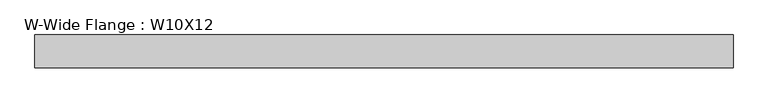
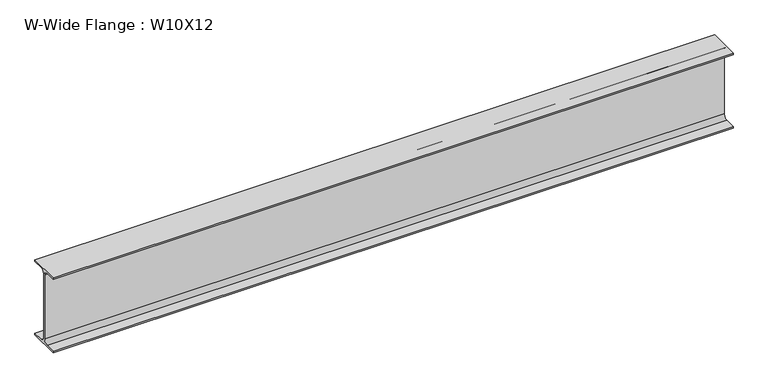
"""IFC4 building model written with IfcOpenShell, lengths in millimetres: beam geometry, W-Wide Flange : W10X12."""

from ifc_helpers import new_model, si_unit, point, frame, frame_2d, origin, place, context, project, spatial, polyline, circle_curve, trimmed, segment, composite_curve, outline, extrude, source, transform, mapped, element, save


def w_wide_flange_w10x12_25cf206f(model_context):
    return source(origin(), model_context, "Body", "SweptSolid", [
        extrude(outline(composite_curve([segment(polyline([(50.3039062, -120.0050781), (50.3039062, -125.3628906), (-50.3039063, -125.3628906), (-50.3039063, -120.0050781), (-16.1230469, -120.0050781)]), True, "CONTINUOUS"), segment(trimmed(circle_curve(frame_2d((-16.1230469, -106.3128906)), 13.6921875), [point((-16.1230469, -120.0050781))], [point((-2.4308594, -106.3128906))], True, "CARTESIAN"), True, "CONTINUOUS"), segment(polyline([(-2.4308594, -106.3128906), (-2.4308594, 106.3128906)]), True, "CONTINUOUS"), segment(trimmed(circle_curve(frame_2d((-16.1230469, 106.3128906)), 13.6921875), [point((-2.4308594, 106.3128906))], [point((-16.1230469, 120.0050781))], True, "CARTESIAN"), True, "CONTINUOUS"), segment(polyline([(-16.1230469, 120.0050781), (-50.3039063, 120.0050781), (-50.3039063, 125.3628906), (50.3039062, 125.3628906), (50.3039062, 120.0050781), (16.1230469, 120.0050781)]), True, "CONTINUOUS"), segment(trimmed(circle_curve(frame_2d((16.1230469, 106.3128906)), 13.6921875), [point((16.1230469, 120.0050781))], [point((2.4308594, 106.3128906))], True, "CARTESIAN"), True, "CONTINUOUS"), segment(polyline([(2.4308594, 106.3128906), (2.4308594, -106.3128906)]), True, "CONTINUOUS"), segment(trimmed(circle_curve(frame_2d((16.1230469, -106.3128906)), 13.6921875), [point((2.4308594, -106.3128906))], [point((16.1230469, -120.0050781))], True, "CARTESIAN"), True, "CONTINUOUS"), segment(polyline([(16.1230469, -120.0050781), (50.3039062, -120.0050781)]), True, "CONTINUOUS")], self_intersect=False)), frame((-1073.15, 0.0, 0.0), z_axis=(1.0, 0.0, 0.0), x_axis=(0.0, 1.0, 0.0)), (0.0, 0.0, 1.0), 2146.3),
    ])


if __name__ == "__main__":
    model = new_model("IFC4")
    model_context = context("Model", 3, world=origin())
    ifc_project = project(units=[si_unit("LENGTHUNIT", "METRE", prefix="MILLI")], contexts=[model_context])
    site = spatial("IfcSite", under=ifc_project)
    building = spatial("IfcBuilding", under=site)
    placement = place(None, origin())
    w_wide_flange_w10x12_shape = w_wide_flange_w10x12_25cf206f(model_context)
    element("IfcBeam", 1, ObjectType="W-Wide Flange : W10X12", at=placement, inside=building, context=model_context, shape_type="MappedRepresentation", body=[
        mapped(w_wide_flange_w10x12_shape, transform((0.0, 0.0, 0.0), x_axis=(1.0, 0.0, 0.0), y_axis=(0.0, 1.0, 0.0), z_axis=(0.0, 0.0, 1.0))),
    ])
    save(model, "model.ifc")
